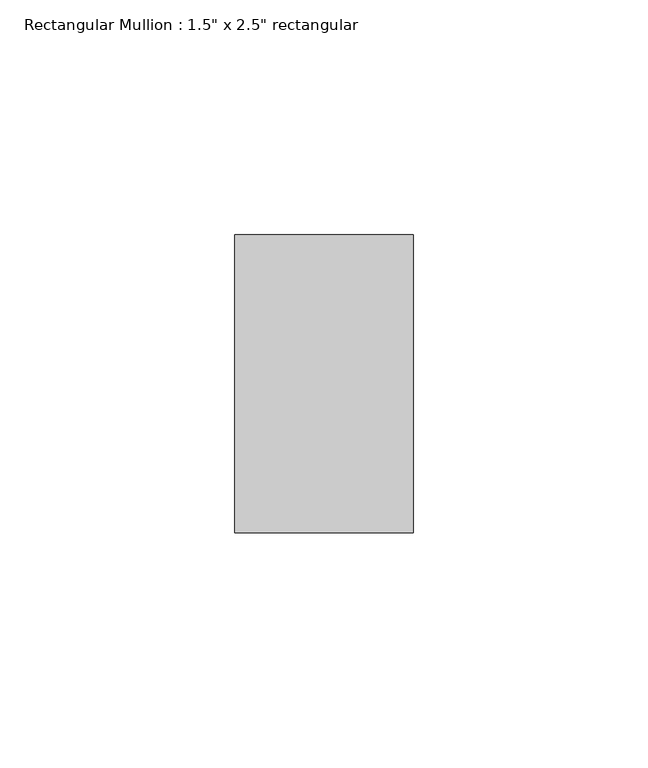
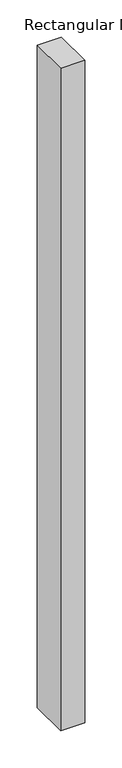
"""IFC4 building model written with IfcOpenShell, lengths in millimetres: member geometry."""

from ifc_helpers import new_model, si_unit, frame, origin, place, context, project, spatial, polyline, outline, extrude, source, transform, mapped, element, save


def member_5a2afe63(model_context):
    return source(origin(), model_context, "Body", "SweptSolid", [
        extrude(outline(polyline([(19.05, 31.75), (19.05, -31.75), (-19.05, -31.75), (-19.05, 31.75), (19.05, 31.75)])), frame((0.0, 0.0, -1092.2), z_axis=(0.0, 0.0, 1.0), x_axis=(1.0, 0.0, 0.0)), (0.0, 0.0, 1.0), 1092.2),
    ])


if __name__ == "__main__":
    model = new_model("IFC4")
    model_context = context("Model", 3, world=origin())
    ifc_project = project(units=[si_unit("LENGTHUNIT", "METRE", prefix="MILLI")], contexts=[model_context])
    site = spatial("IfcSite", under=ifc_project)
    building = spatial("IfcBuilding", under=site)
    placement = place(None, origin())
    member_shape = member_5a2afe63(model_context)
    element("IfcMember", 1, ObjectType="Rectangular Mullion : 1.5\" x 2.5\" rectangular", at=placement, inside=building, context=model_context, shape_type="MappedRepresentation", body=[
        mapped(member_shape, transform((0.0, 0.0, 0.0), x_axis=(1.0, 0.0, 0.0), y_axis=(0.0, 1.0, 0.0), z_axis=(0.0, 0.0, 1.0))),
    ])
    save(model, "model.ifc")
